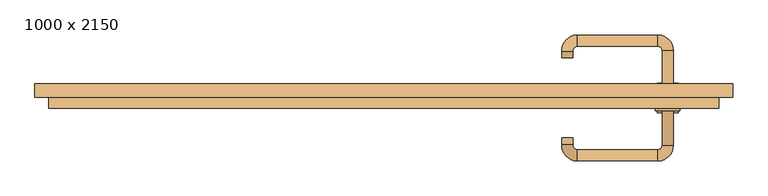
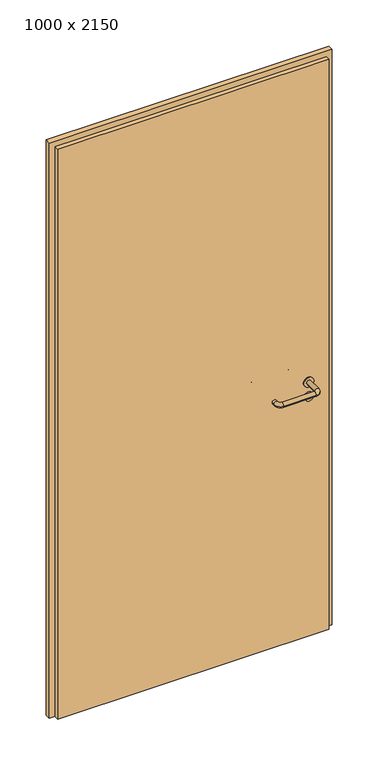
"""IFC4 building model written with IfcOpenShell, lengths in millimetres: door geometry, 1000 x 2150."""

from ifc_helpers import new_model, si_unit, point, frame, frame_2d, origin, origin_with_axes, place, context, project, spatial, polyline, circle_curve, ellipse_curve, trimmed, segment, composite_curve, outline, extrude, source, transform, mapped, element, save
from ifc_brep_helpers import plane_surface, cylinder_surface, revolved_surface, advanced_brep


def door_1000_x_2150_2e4afa38(model_context):
    return source(origin(), model_context, "Body", "SolidModel", [
        extrude(outline(composite_curve([segment(trimmed(circle_curve(frame_2d((897.3605726, 407.0)), 15.0), [point((897.3605726, 422.0))], [point((897.3605726, 392.0))], False, "CARTESIAN"), True, "CONTINUOUS"), segment(trimmed(circle_curve(frame_2d((897.3605726, 407.0)), 15.0), [point((897.3605726, 392.0))], [point((897.3605726, 422.0))], False, "CARTESIAN"), True, "CONTINUOUS")], self_intersect=False), holes=[composite_curve([segment(trimmed(circle_curve(frame_2d((892.5833211, 406.9398032)), 2.0), [point((892.5833211, 408.9398032))], [point((892.5833211, 404.9398032))], True, "CARTESIAN"), True, "CONTINUOUS"), segment(polyline([(892.5833211, 404.9398032), (902.5833211, 404.9398032)]), True, "CONTINUOUS"), segment(trimmed(circle_curve(frame_2d((902.5833211, 406.9398032)), 2.0), [point((902.5833211, 404.9398032))], [point((902.5833211, 408.9398032))], True, "CARTESIAN"), True, "CONTINUOUS"), segment(polyline([(902.5833211, 408.9398032), (892.5833211, 408.9398032)]), True, "CONTINUOUS")], self_intersect=False)]), frame((0.0, -31.35, 0.0), z_axis=(0.0, 1.0, 0.0), x_axis=(0.0, 0.0, 1.0)), (0.0, 0.0, 1.0), 6.35),
        extrude(outline(composite_curve([segment(trimmed(circle_curve(frame_2d((950.0, 407.0)), 17.526), [point((950.0, 424.526))], [point((950.0, 389.474))], False, "CARTESIAN"), True, "CONTINUOUS"), segment(trimmed(circle_curve(frame_2d((950.0, 407.0)), 17.526), [point((950.0, 389.474))], [point((950.0, 424.526))], False, "CARTESIAN"), True, "CONTINUOUS")], self_intersect=False)), frame((0.0, -28.175, 0.0), z_axis=(0.0, 1.0, 0.0), x_axis=(0.0, 0.0, 1.0)), (0.0, 0.0, 1.0), 3.175),
        advanced_brep(
        [(415.0, -25.0, 950.0), (399.0, -25.0, 950.0), (399.0, -78.0, 950.0), (415.0, -78.0, 950.0), (392.8578644, -84.1421356, 950.0), (392.8578644, -100.1421356, 950.0), (277.8578644, -84.1421356, 950.0), (277.8578644, -100.1421356, 950.0), (271.008622, -77.2928932, 950.0), (255.008622, -77.2928932, 950.0), (255.008622, -67.2928932, 950.0), (271.008622, -67.2928932, 950.0)],
        [
            (0, 1, circle_curve(frame((407.0, -25.0, 950.0), z_axis=(0.0, 1.0, 0.0), x_axis=(-1.0, 0.0, 0.0)), 8.0)),
            (1, 0, circle_curve(frame((407.0, -25.0, 950.0), z_axis=(0.0, 1.0, 0.0), x_axis=(-1.0, 0.0, 0.0)), 8.0)),
            (1, 2),
            (2, 3, circle_curve(frame((407.0, -78.0, 950.0), z_axis=(0.0, 1.0, 0.0), x_axis=(-1.0, 0.0, 0.0)), 8.0)),
            (3, 0),
            (3, 2, circle_curve(frame((407.0, -78.0, 950.0), z_axis=(0.0, 1.0, 0.0), x_axis=(-1.0, 0.0, 0.0)), 8.0)),
            (4, 5, circle_curve(frame((392.8578644, -92.1421356, 950.0), z_axis=(1.0, 0.0, 0.0), x_axis=(0.0, 1.0, 0.0)), 8.0)),
            (5, 3, circle_curve(frame((392.8578644, -78.0, 950.0), z_axis=(0.0, 0.0, 1.0), x_axis=(1.0, 0.0, 0.0)), 22.1421356)),
            (2, 4, circle_curve(frame((392.8578644, -78.0, 950.0), z_axis=(0.0, 0.0, -1.0), x_axis=(1.0, 0.0, 0.0)), 6.1421356)),
            (5, 4, circle_curve(frame((392.8578644, -92.1421356, 950.0), z_axis=(1.0, 0.0, 0.0), x_axis=(0.0, 1.0, 0.0)), 8.0)),
            (4, 6),
            (6, 7, circle_curve(frame((277.8578644, -92.1421356, 950.0), z_axis=(1.0, 0.0, 0.0), x_axis=(0.0, 1.0, 0.0)), 8.0)),
            (7, 5),
            (7, 6, circle_curve(frame((277.8578644, -92.1421356, 950.0), z_axis=(1.0, 0.0, 0.0), x_axis=(0.0, 1.0, 0.0)), 8.0)),
            (8, 9, circle_curve(frame((263.008622, -77.2928932, 950.0), z_axis=(0.0, -1.0, 0.0), x_axis=(1.0, 0.0, 0.0)), 8.0)),
            (9, 7, circle_curve(frame((277.8578644, -77.2928932, 950.0), z_axis=(0.0, 0.0, 1.0), x_axis=(0.0, -1.0, 0.0)), 22.8492424)),
            (6, 8, circle_curve(frame((277.8578644, -77.2928932, 950.0), z_axis=(0.0, 0.0, -1.0), x_axis=(0.0, -1.0, 0.0)), 6.8492424)),
            (9, 8, circle_curve(frame((263.008622, -77.2928932, 950.0), z_axis=(0.0, -1.0, 0.0), x_axis=(1.0, 0.0, 0.0)), 8.0)),
            (10, 11, circle_curve(frame((263.008622, -67.2928932, 950.0), z_axis=(0.0, 1.0, 0.0), x_axis=(1.0, 0.0, 0.0)), 8.0)),
            (11, 10, circle_curve(frame((263.008622, -67.2928932, 950.0), z_axis=(0.0, 1.0, 0.0), x_axis=(1.0, 0.0, 0.0)), 8.0)),
            (8, 11),
            (10, 9),
        ],
        [
            plane_surface(frame((407.0, -25.0, 0.0), z_axis=(0.0, 1.0, 0.0), x_axis=(0.0, 0.0, 1.0))),
            cylinder_surface(frame((407.0, -25.0, 950.0), z_axis=(0.0, 1.0, 0.0), x_axis=(-1.0, 0.0, 0.0)), 8.0),
            revolved_surface(trimmed(ellipse_curve(frame((407.0, -78.0, 950.0), z_axis=(0.0, -1.0, 0.0), x_axis=(-1.0, 0.0, 0.0)), 8.0, 8.0), [point((415.0, -78.0, 950.0))], [point((399.0, -78.0, 950.0))], True, "CARTESIAN"), (392.8578644, -78.0, 0.0), (0.0, 0.0, 1.0)),
            revolved_surface(trimmed(ellipse_curve(frame((407.0, -78.0, 950.0), z_axis=(0.0, -1.0, 0.0), x_axis=(-1.0, 0.0, 0.0)), 8.0, 8.0), [point((399.0, -78.0, 950.0))], [point((415.0, -78.0, 950.0))], True, "CARTESIAN"), (392.8578644, -78.0, 0.0), (0.0, 0.0, 1.0)),
            cylinder_surface(frame((392.8578644, -92.1421356, 950.0), z_axis=(1.0, 0.0, 0.0), x_axis=(0.0, 1.0, 0.0)), 8.0),
            revolved_surface(trimmed(ellipse_curve(frame((277.8578644, -92.1421356, 950.0), z_axis=(-1.0, 0.0, 0.0), x_axis=(0.0, 1.0, 0.0)), 8.0, 8.0), [point((277.8578644, -100.1421356, 950.0))], [point((277.8578644, -84.1421356, 950.0))], True, "CARTESIAN"), (277.8578644, -77.2928932, 0.0), (0.0, 0.0, 1.0)),
            revolved_surface(trimmed(ellipse_curve(frame((277.8578644, -92.1421356, 950.0), z_axis=(-1.0, 0.0, 0.0), x_axis=(0.0, 1.0, 0.0)), 8.0, 8.0), [point((277.8578644, -84.1421356, 950.0))], [point((277.8578644, -100.1421356, 950.0))], True, "CARTESIAN"), (277.8578644, -77.2928932, 0.0), (0.0, 0.0, 1.0)),
            plane_surface(frame((263.008622, -67.2928932, 0.0), z_axis=(0.0, 1.0, 0.0), x_axis=(0.0, 0.0, 1.0))),
            cylinder_surface(frame((263.008622, -77.2928932, 950.0), z_axis=(0.0, -1.0, 0.0), x_axis=(1.0, 0.0, 0.0)), 8.0),
        ],
        [
            (0, [[1, 2]]),
            (1, [[3, 4, 5, -2]]),
            (1, [[-5, 6, -3, -1]]),
            (2, [[7, 8, -4, 9]]),
            (3, [[10, -9, -6, -8]]),
            (4, [[11, 12, 13, -7]]),
            (4, [[-13, 14, -11, -10]]),
            (5, [[15, 16, -12, 17]]),
            (6, [[18, -17, -14, -16]]),
            (7, [[19, 20]]),
            (8, [[21, -19, 22, -15]]),
            (8, [[-22, -20, -21, -18]]),
        ],
    ),
        extrude(outline(composite_curve([segment(trimmed(circle_curve(frame_2d((0.0, -15.0)), 15.0), [point((0.0, -30.0))], [point((0.0, 0.0))], False, "CARTESIAN"), True, "CONTINUOUS"), segment(trimmed(circle_curve(frame_2d((0.0, -15.0)), 15.0), [point((0.0, 0.0))], [point((0.0, -30.0))], False, "CARTESIAN"), True, "CONTINUOUS")], self_intersect=False), holes=[composite_curve([segment(trimmed(circle_curve(frame_2d((4.7772515, -14.9398032)), 2.0), [point((4.7772515, -16.9398032))], [point((4.7772515, -12.9398032))], True, "CARTESIAN"), True, "CONTINUOUS"), segment(polyline([(4.7772515, -12.9398032), (-5.2227485, -12.9398032)]), True, "CONTINUOUS"), segment(trimmed(circle_curve(frame_2d((-5.2227485, -14.9398032)), 2.0), [point((-5.2227485, -12.9398032))], [point((-5.2227485, -16.9398032))], True, "CARTESIAN"), True, "CONTINUOUS"), segment(polyline([(-5.2227485, -16.9398032), (4.7772515, -16.9398032)]), True, "CONTINUOUS")], self_intersect=False)]), frame((392.0, 5.0, 897.3605726), z_axis=(1.8870575173328306e-12, 1.0, 0.0), x_axis=(0.0, 0.0, -1.0)), (0.0, 0.0, 1.0), 6.35),
        extrude(outline(composite_curve([segment(trimmed(circle_curve(frame_2d((0.0, -17.526)), 17.526), [point((0.0, -35.052))], [point((0.0, 0.0))], False, "CARTESIAN"), True, "CONTINUOUS"), segment(trimmed(circle_curve(frame_2d((0.0, -17.526)), 17.526), [point((0.0, 0.0))], [point((0.0, -35.052))], False, "CARTESIAN"), True, "CONTINUOUS")], self_intersect=False)), frame((389.474, 5.0, 950.0), z_axis=(1.8870575173328306e-12, 1.0, 0.0), x_axis=(0.0, 0.0, -1.0)), (0.0, 0.0, 1.0), 3.175),
        advanced_brep(
        [(415.0, 5.0, 950.0), (399.0, 5.0, 950.0), (415.0, 58.0, 950.0), (399.0, 58.0, 950.0), (392.8578644, 64.1421356, 950.0), (392.8578644, 80.1421356, 950.0), (277.8578644, 80.1421356, 950.0), (277.8578644, 64.1421356, 950.0), (271.008622, 57.2928932, 950.0), (255.008622, 57.2928932, 950.0), (255.008622, 47.2928932, 950.0), (271.008622, 47.2928932, 950.0)],
        [
            (0, 1, circle_curve(frame((407.0, 5.0, 950.0), z_axis=(-1.888672253512351e-12, -1.0, 0.0), x_axis=(-1.0, 1.888672253512351e-12, 0.0)), 8.0)),
            (1, 0, circle_curve(frame((407.0, 5.0, 950.0), z_axis=(-1.888672253512351e-12, -1.0, 0.0), x_axis=(-1.0, 1.888672253512351e-12, 0.0)), 8.0)),
            (0, 2),
            (2, 3, circle_curve(frame((407.0, 58.0, 950.0), z_axis=(-1.888672253512351e-12, -1.0, 0.0), x_axis=(-1.0, 1.888672253512351e-12, 0.0)), 8.0)),
            (3, 1),
            (3, 2, circle_curve(frame((407.0, 58.0, 950.0), z_axis=(-1.888672253512351e-12, -1.0, 0.0), x_axis=(-1.0, 1.888672253512351e-12, 0.0)), 8.0)),
            (4, 3, circle_curve(frame((392.8578644, 58.0, 950.0), z_axis=(0.0, 0.0, -1.0), x_axis=(1.0, -1.880717803715015e-12, 0.0)), 6.1421356)),
            (2, 5, circle_curve(frame((392.8578644, 58.0, 950.0), z_axis=(0.0, 0.0, 1.0), x_axis=(1.0, -1.880717803715015e-12, 0.0)), 22.1421356)),
            (5, 4, circle_curve(frame((392.8578644, 72.1421356, 950.0), z_axis=(1.0, -1.913702061528922e-12, 0.0), x_axis=(-1.913702061528922e-12, -1.0, 0.0)), 8.0)),
            (4, 5, circle_curve(frame((392.8578644, 72.1421356, 950.0), z_axis=(1.0, -1.913702061528922e-12, 0.0), x_axis=(-1.913702061528922e-12, -1.0, 0.0)), 8.0)),
            (5, 6),
            (6, 7, circle_curve(frame((277.8578644, 72.1421356, 950.0), z_axis=(1.0, -1.913719828541269e-12, 0.0), x_axis=(-1.913719828541269e-12, -1.0, 0.0)), 8.0)),
            (7, 4),
            (7, 6, circle_curve(frame((277.8578644, 72.1421356, 950.0), z_axis=(1.0, -1.913719828541269e-12, 0.0), x_axis=(-1.913719828541269e-12, -1.0, 0.0)), 8.0)),
            (8, 7, circle_curve(frame((277.8578644, 57.2928932, 950.0), z_axis=(0.0, 0.0, -1.0), x_axis=(1.9120873253494017e-12, 1.0, 0.0)), 6.8492424)),
            (6, 9, circle_curve(frame((277.8578644, 57.2928932, 950.0), z_axis=(0.0, 0.0, 1.0), x_axis=(1.9120873253494017e-12, 1.0, 0.0)), 22.8492424)),
            (9, 8, circle_curve(frame((263.008622, 57.2928932, 950.0), z_axis=(1.890448610351751e-12, 1.0, 0.0), x_axis=(1.0, -1.890448610351751e-12, 0.0)), 8.0)),
            (8, 9, circle_curve(frame((263.008622, 57.2928932, 950.0), z_axis=(1.8888942981172756e-12, 1.0, 0.0), x_axis=(1.0, -1.8888942981172756e-12, 0.0)), 8.0)),
            (10, 11, circle_curve(frame((263.008622, 47.2928932, 950.0), z_axis=(-1.8903642334018795e-12, -1.0, 0.0), x_axis=(1.0, -1.8903642334018795e-12, 0.0)), 8.0)),
            (11, 10, circle_curve(frame((263.008622, 47.2928932, 950.0), z_axis=(-1.8903642334018795e-12, -1.0, 0.0), x_axis=(1.0, -1.8903642334018795e-12, 0.0)), 8.0)),
            (9, 10),
            (11, 8),
        ],
        [
            plane_surface(frame((407.0, 5.0, 0.0), z_axis=(-1.8870575173328306e-12, -1.0, 0.0), x_axis=(0.0, 0.0, 1.0))),
            cylinder_surface(frame((407.0, 5.0, 950.0), z_axis=(-1.888672253512351e-12, -1.0, 0.0), x_axis=(-1.0, 1.888672253512351e-12, 0.0)), 8.0),
            revolved_surface(trimmed(ellipse_curve(frame((407.0, 58.0, 950.0), z_axis=(-1.8823325398945356e-12, -1.0, 0.0), x_axis=(-1.0, 1.8823325398945356e-12, 0.0)), 8.0, 8.0), [point((415.0, 58.0, 950.0))], [point((399.0, 58.0, 950.0))], True, "CARTESIAN"), (392.8578644, 58.0, 0.0), (0.0, 0.0, 1.0)),
            revolved_surface(trimmed(ellipse_curve(frame((407.0, 58.0, 950.0), z_axis=(-1.8823325398945356e-12, -1.0, 0.0), x_axis=(-1.0, 1.8823325398945356e-12, 0.0)), 8.0, 8.0), [point((399.0, 58.0, 950.0))], [point((415.0, 58.0, 950.0))], True, "CARTESIAN"), (392.8578644, 58.0, 0.0), (0.0, 0.0, 1.0)),
            cylinder_surface(frame((392.8578644, 72.1421356, 950.0), z_axis=(1.0, -1.913719828541269e-12, 0.0), x_axis=(-1.913719828541269e-12, -1.0, 0.0)), 8.0),
            revolved_surface(trimmed(ellipse_curve(frame((277.8578644, 72.1421356, 950.0), z_axis=(1.0, -1.913702061528922e-12, 0.0), x_axis=(-1.913702061528922e-12, -1.0, 0.0)), 8.0, 8.0), [point((277.8578644, 80.1421356, 950.0))], [point((277.8578644, 64.1421356, 950.0))], True, "CARTESIAN"), (277.8578644, 57.2928932, 0.0), (0.0, 0.0, 1.0)),
            revolved_surface(trimmed(ellipse_curve(frame((277.8578644, 72.1421356, 950.0), z_axis=(1.0, -1.913702061528922e-12, 0.0), x_axis=(-1.913702061528922e-12, -1.0, 0.0)), 8.0, 8.0), [point((277.8578644, 64.1421356, 950.0))], [point((277.8578644, 80.1421356, 950.0))], True, "CARTESIAN"), (277.8578644, 57.2928932, 0.0), (0.0, 0.0, 1.0)),
            plane_surface(frame((263.008622, 47.2928932, 0.0), z_axis=(-1.8887494972223595e-12, -1.0, 0.0), x_axis=(0.0, 0.0, 1.0))),
            cylinder_surface(frame((263.008622, 57.2928932, 950.0), z_axis=(1.8903642334018795e-12, 1.0, 0.0), x_axis=(1.0, -1.8903642334018795e-12, 0.0)), 8.0),
        ],
        [
            (0, [[1, 2]]),
            (1, [[-1, 3, 4, 5]]),
            (1, [[-2, -5, 6, -3]]),
            (2, [[7, -4, 8, 9]]),
            (3, [[-8, -6, -7, 10]]),
            (4, [[-9, 11, 12, 13]]),
            (4, [[-10, -13, 14, -11]]),
            (5, [[15, -12, 16, 17]]),
            (6, [[-16, -14, -15, 18]]),
            (7, [[19, 20]]),
            (8, [[-17, 21, -20, 22]]),
            (8, [[-18, -22, -19, -21]]),
        ],
    ),
        extrude(outline(polyline([(2130.0, 480.0), (0.0, 480.0), (0.0, 500.0), (2150.0, 500.0), (2150.0, -500.0), (0.0, -500.0), (0.0, -480.0), (2130.0, -480.0), (2130.0, 480.0)])), frame((0.0, -9.0, 0.0), z_axis=(0.0, 1.0, 0.0), x_axis=(0.0, 0.0, 1.0)), (0.0, 0.0, 1.0), 19.0),
        extrude(outline(polyline([(-480.0, 5.0), (480.0, 5.0), (480.0, -25.0), (-480.0, -25.0), (-480.0, 5.0)])), origin_with_axes(), (0.0, 0.0, 1.0), 2130.0),
    ])


if __name__ == "__main__":
    model = new_model("IFC4")
    model_context = context("Model", 3, world=origin())
    ifc_project = project(units=[si_unit("LENGTHUNIT", "METRE", prefix="MILLI")], contexts=[model_context])
    site = spatial("IfcSite", under=ifc_project)
    building = spatial("IfcBuilding", under=site)
    placement = place(None, origin())
    door_1000_x_2150_shape = door_1000_x_2150_2e4afa38(model_context)
    element("IfcDoor", 1, ObjectType="1000 x 2150", at=placement, inside=building, context=model_context, shape_type="MappedRepresentation", body=[
        mapped(door_1000_x_2150_shape, transform((0.0, 0.0, 0.0), x_axis=(1.0, 0.0, 0.0), y_axis=(0.0, 1.0, 0.0), z_axis=(0.0, 0.0, 1.0))),
    ])
    save(model, "model.ifc")
